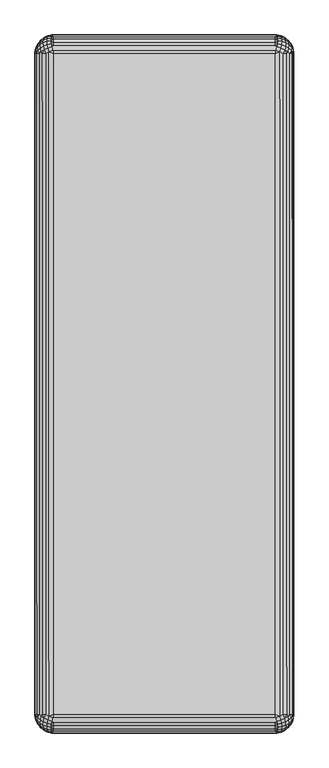
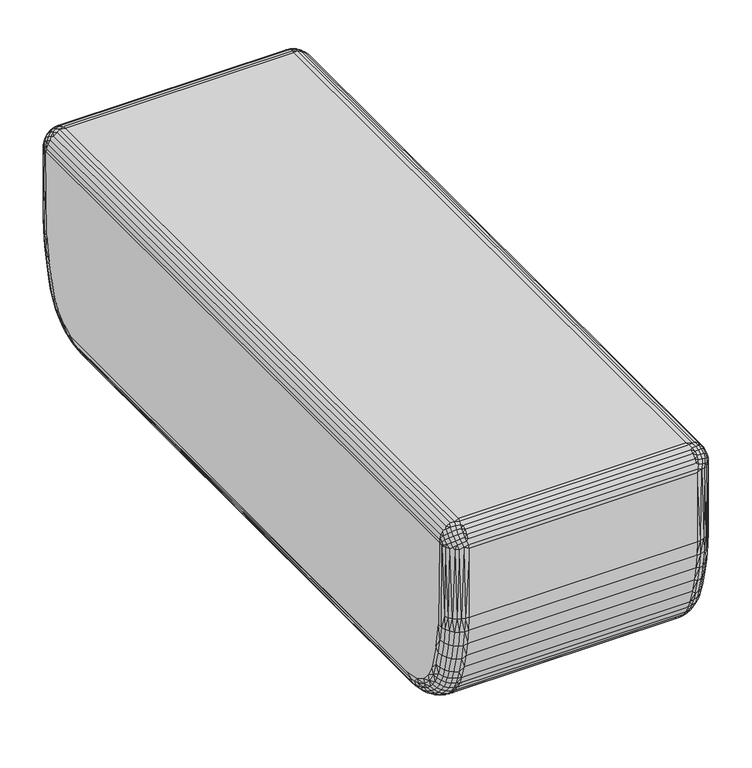
"""IFC4 building model written with IfcOpenShell, lengths in millimetres: furniture geometry."""

from ifc_helpers import new_model, si_unit, origin, place, context, project, spatial, triangles, source, transform, mapped, element, save


def furniture_271ff281(model_context):
    return source(origin(), model_context, "Body", "Tessellation", [
        triangles([(222.2500061, -555.8761353, 12.7000004), (-222.2500061, 555.876099, 12.7000004), (222.2500061, 555.876099, 12.7000004), (-222.2500061, 663.5749758, 419.1), (-222.2500061, -663.5749758, 419.1), (222.2500061, 663.5749758, 419.1), (-222.2500061, -555.8761353, 12.7000004), (222.2500061, -663.5749758, 419.1), (-260.2865288, -665.1291687, 382.5541203), (-260.3500061, 661.826536, 212.847564), (-260.3500061, -661.826536, 212.847564), (-222.2500061, -701.6749758, 238.0862124), (222.2500061, -701.6749758, 381.0), (-222.2500061, -701.6749758, 381.0), (260.2865652, 665.129096, 382.5541203), (260.3500061, -661.826536, 212.847564), (260.3500061, 661.826536, 212.847564), (222.2500061, 701.6749758, 381.0), (222.2500061, 701.6749758, 238.0862124), (-222.2500061, 701.6749758, 381.0), (260.2865652, -665.1291687, 382.5541203), (222.2500061, -701.6749758, 238.0862124), (-222.2500061, 701.6749758, 238.0862124), (-260.2865288, 665.129096, 382.5541203), (-222.2500061, -642.1913973, 46.5406549), (222.2500061, -629.9502113, 36.5397028), (222.2500061, -642.1913973, 46.5406549), (259.3947591, 568.0654349, 43.0878632), (259.3947591, -568.0654349, 43.0878632), (256.576926, -569.0567262, 35.0961749), (-260.3500061, -555.8761353, 50.8000015), (-260.3500061, 635.3881788, 99.9377226), (-260.3500061, 580.1681846, 54.1832979), (-222.2500061, 616.561203, 28.1369204), (222.2500061, 616.561203, 28.1369204), (-222.2500061, 602.2321358, 21.4624504), (-260.3500061, -640.1130358, 111.2860942), (-222.2500061, -676.2145386, 99.1087307), (222.2500061, -684.4983353, 126.2238089), (-222.2500061, -684.4983353, 126.2238089), (-222.2500061, 642.1913973, 46.5406549), (222.2500061, 653.0956009, 57.9848191), (222.2500061, 642.1913973, 46.5406549), (252.0377954, 555.876099, 27.0450425), (246.0049696, -555.8761353, 21.0122235), (246.0049696, 555.876099, 21.0122235), (238.7809738, -650.8240099, 61.1522039), (246.0049696, -637.123538, 53.1803295), (246.0049696, -647.326549, 64.0455593), (259.3947591, -670.2641024, 212.0194895), (257.440518, 678.1777182, 238.5268832), (259.3947591, 672.053092, 381.0), (259.3947591, 670.2641024, 212.0194895), (-222.2500061, 684.4983353, 126.2238089), (222.2500061, 684.4983353, 126.2238089), (222.2500061, 676.2146112, 99.1087307), (-222.2500061, 699.8085199, 209.7954792), (222.2500061, 696.3149105, 181.6592969), (-222.2500061, 696.3149105, 181.6592969), (-259.3947773, 670.2641024, 212.0194895), (-256.576926, -637.1120562, 72.4957703), (-252.0377591, -642.6782135, 67.8910232), (-256.576926, -644.89443, 83.2072667), (-222.2500061, -616.561203, 28.1369204), (222.2500061, -616.561203, 28.1369204), (-222.2500061, -629.9502113, 36.5397028), (246.0049696, -673.7154905, 118.7315518), (238.7809738, -686.0028946, 147.7028757), (238.7809738, -678.0670418, 117.4400336), (-222.2500061, -696.3148378, 181.6592969), (222.2500061, -696.3148378, 181.6592969), (222.2500061, -699.8084473, 209.7954792), (-238.7809738, -678.0670418, 117.4400336), (-246.0049514, -681.5775833, 148.712934), (-246.0049514, -673.7154905, 118.7315518), (-259.3947773, -672.053092, 381.0), (-259.3947773, -670.2641024, 212.0194895), (-257.4404816, -678.1777908, 238.5268832), (-238.7809738, 640.2307611, 49.8714472), (-246.0049514, 625.6390646, 43.679565), (-246.0049514, 637.123538, 53.1803295), (-238.7809738, 686.0028946, 147.7028757), (-238.7809738, 678.0670418, 117.4400336), (-246.0049514, 673.7154905, 118.7315518), (256.576926, 606.6678752, 47.3101346), (256.576926, 594.6878288, 41.6727607), (252.0377954, 597.3471505, 34.9560672), (260.3500061, 635.3881788, 99.9377226), (260.3500061, -580.1682572, 54.1832979), (260.3500061, 580.1681846, 54.1832979), (246.0049696, -663.5749758, 410.7878257), (238.7809738, 663.5749758, 415.3269382), (238.7809738, -663.5749758, 415.3269382), (252.0377954, -687.3299212, 381.0), (253.9172592, -684.7597292, 238.4023632), (256.576926, -680.1060888, 381.0), (-253.9172592, 684.7597292, 238.4023632), (-256.576926, 680.1059435, 381.0), (-252.0378136, 687.3299212, 381.0), (-238.7809738, -663.5749758, 415.3269382), (-238.7809738, 663.5749758, 415.3269382), (-246.0049514, 663.5749758, 410.7878257), (232.0944996, 667.4267756, 417.6041247), (249.179903, 690.5266737, 238.2939395), (246.0049696, 693.3627651, 381.0), (252.0377954, 687.3299212, 381.0), (-232.0944996, -667.4267756, 417.6041247), (-252.0378136, -687.3299212, 381.0), (-249.179903, -690.5266737, 238.2939395), (-246.0049514, -693.3629105, 381.0), (222.2500061, 602.2321358, 21.4624504), (222.2500061, 587.1849438, 16.6197216), (246.0049696, 613.0543676, 35.6931089), (238.7809738, 615.2411528, 31.7154333), (246.0049696, 625.6390646, 43.679565), (238.7809738, -555.8761353, 16.4730861), (222.2500061, -602.2321358, 21.4624504), (-222.2500061, 670.2399759, 84.4740498), (222.2500061, 662.4936464, 70.6949218), (-222.2500061, 662.4936464, 70.6949218), (-238.7809738, 650.8240826, 61.1522039), (-246.0049514, 647.3266216, 64.0455593), (-238.7809738, 659.920039, 73.6717159), (-252.0378136, -555.8761353, 27.0450425), (-246.0049514, 555.876099, 21.0122235), (-246.0049514, -555.8761353, 21.0122235), (-246.0049514, -613.0543676, 35.6931089), (-238.7809738, -615.2411528, 31.7154333), (-246.0049514, -625.6390646, 43.679565), (-244.2470645, 685.5720343, 402.9970222), (-250.0819191, 675.1882931, 404.2836079), (-243.6968438, 679.0339886, 408.434699), (-222.2500061, 687.3299212, 410.7878257), (222.2500061, 693.3627651, 404.7549817), (-222.2500061, 693.3627651, 404.7549817), (243.6968438, -679.0340612, 408.434699), (244.2470282, -685.5720343, 402.9970222), (250.081901, -675.1883657, 404.2836079), (-222.2500061, -693.3629105, 404.7549817), (222.2500061, -693.3629105, 404.7549817), (222.2500061, -687.3299212, 410.7878257), (238.7809738, 640.2307611, 49.8714472), (238.7809738, 650.8240826, 61.1522039), (246.0049696, 647.3266216, 64.0455593), (238.7809738, 678.0670418, 117.4400336), (246.0049696, 681.5775106, 148.712934), (246.0049696, 673.7154905, 118.7315518), (-222.2500061, -662.4936464, 70.6949218), (222.2500061, -670.2399759, 84.4740498), (-222.2500061, -670.2399759, 84.4740498), (-246.0049514, -656.0874968, 76.1039076), (-238.7809738, -650.8240099, 61.1522039), (-238.7809738, -659.9199663, 73.6717159), (-256.576926, 606.6678752, 47.3101346), (-259.3947773, 591.7233659, 49.1601761), (-259.3947773, 613.113521, 60.9195146), (-256.576926, -555.8761353, 34.2690315), (-256.576926, 569.0567262, 35.0961749), (-252.0378136, 555.876099, 27.0450425), (222.2500061, 687.3299212, 410.7878257), (236.7732475, 688.4816677, 405.9066919), (236.2363616, 682.1045134, 411.2100746), (243.6968438, 679.0339886, 408.434699), (-222.2500061, -687.3299212, 410.7878257), (-236.2363616, -682.1045134, 411.2100746), (-243.6968438, -679.0340612, 408.434699), (-236.7732475, -688.4817404, 405.9066919), (246.0049696, -599.5679452, 29.3469006), (252.0377954, -597.3471505, 34.9560672), (246.0049696, -613.0543676, 35.6931089), (252.0377954, -622.0930601, 48.5602127), (256.576926, -606.6679115, 47.3101346), (256.576926, -617.8468803, 54.4045508), (252.0377954, 667.9320499, 120.4480531), (256.576926, 668.6531542, 151.6628448), (256.576926, 661.0066006, 122.5034691), (252.0377954, 622.0930601, 48.5602127), (256.576926, 617.8468803, 54.4045508), (252.0377954, 610.1480043, 40.979707), (-230.7280678, 698.7907042, 209.1876675), (-230.7280678, 694.7652231, 177.962266), (-238.7809738, 691.9834888, 178.4120024), (-249.179903, 690.5266737, 238.2939395), (249.179903, -690.5266737, 238.2939395), (238.7809738, -691.9834162, 178.4120024), (230.7280496, -698.7907042, 209.1876675), (230.7280496, -694.7651505, 177.962266), (252.0377954, -632.9937029, 57.5780762), (256.576926, -628.0485832, 62.8441292), (252.0377954, -642.6782135, 67.8910232), (259.3947591, -660.8021072, 153.4547866), (256.576926, -668.6530815, 151.6628448), (256.576926, -661.0066732, 122.5034691), (-238.7809738, 555.876099, 16.4730861), (-230.7280678, 616.598628, 29.2461436), (-230.7280678, 602.2762828, 22.5065477), (-238.7809738, 601.2389915, 25.1265186), (-252.0377591, 622.0930601, 48.5602127), (-256.576926, 617.8468803, 54.4045508), (-252.0377591, 632.9937029, 57.5780762), (-256.576926, 668.6531542, 151.6628448), (-256.576926, 661.0066006, 122.5034691), (-259.3947773, 660.8021072, 153.4547866), (-256.576926, -617.8468803, 54.4045508), (-252.0377591, -610.1480043, 40.979707), (-252.0377591, -622.0930601, 48.5602127), (-259.3947773, -568.0654349, 43.0878632), (-252.0377591, -675.6959656, 150.0553666), (-243.4071812, -695.2606871, 238.2054275), (243.4071812, 695.2606871, 238.2054275), (252.0377954, 675.6959656, 150.0553666), (250.6178421, 681.5593431, 398.9844037), (255.0712948, 681.5401583, 388.1849902), (250.081901, 686.8585836, 392.6133173), (-250.0819191, -686.8585836, 392.6133173), (-250.6178421, -681.5593431, 398.9844037), (-255.0712948, -681.5401583, 388.1849902), (222.2500061, -662.4936464, 70.6949218), (238.7809738, -659.9199663, 73.6717159), (238.7809738, 601.2389915, 25.1265186), (238.7809738, 586.5213578, 20.3444818), (230.7280496, 587.2221508, 17.61518), (246.0049696, 570.6765038, 21.9386432), (246.0049696, 585.392575, 24.7410157), (252.0377954, 569.9420646, 27.9266134), (-252.0377591, -667.9319773, 120.4480531), (-256.576926, -668.6530815, 151.6628448), (-256.576926, -661.0066732, 122.5034691), (-252.0377591, -650.9939123, 79.3364637), (-222.2500061, -587.1849801, 16.6197216), (-222.2500061, -602.2321358, 21.4624504), (-238.7809738, -586.5213578, 20.3444818), (-230.7280678, -587.2221871, 17.61518), (-238.7809738, -601.2389915, 25.1265186), (-243.4071812, 695.2606871, 238.2054275), (-246.0049514, 693.3627651, 381.0), (-239.4479752, 697.5702845, 381.400666), (-236.7732475, 688.4816677, 405.9066919), (-236.2363616, 693.7850504, 399.5295012), (-243.6968438, 691.0097111, 396.4590128), (239.4479752, -697.5702845, 381.400666), (243.4071812, -695.2606871, 238.2054275), (246.0049696, -693.3629105, 381.0), (236.2363616, -693.7850504, 399.5295012), (243.6968438, -691.0096384, 396.4590128), (236.7732475, -688.4817404, 405.9066919), (259.3947591, -602.7883155, 54.3669577), (260.3500061, -640.1130358, 111.2860942), (230.7280496, -688.750038, 147.075861), (222.2500061, -676.2145386, 99.1087307), (-222.2500061, 676.2146112, 99.1087307), (-230.7280678, 688.750038, 147.075861), (256.576926, -663.5749758, 397.5309677), (252.0377954, 663.5749758, 404.7549817), (252.0377954, -663.5749758, 404.7549817), (250.6178421, -681.5593431, 398.9844037), (255.0712948, -670.7599297, 398.9651825), (-252.0378136, -663.5749758, 404.7549817), (-252.0378136, 663.5749758, 404.7549817), (-256.576926, 663.5749758, 397.5309677), (-250.6178421, 681.5593431, 398.9844037), (-255.0712948, 670.7600023, 398.9651825), (246.0049696, 663.5749758, 410.7878257), (255.5661411, 676.6448902, 394.0699144), (-246.0049514, -663.5749758, 410.7878257), (-255.5661411, -676.6449629, 394.0699144), (260.3500061, 653.8852329, 161.443525), (256.576926, 637.1120562, 72.4957703), (252.0377954, 642.6782862, 67.8910232), (256.576926, 644.89443, 83.2072667), (-238.7809738, 628.3070704, 40.0073327), (-222.2500061, 629.950066, 36.5397028), (-222.2500061, 697.9019503, 397.5309677), (222.2500061, 697.9019503, 397.5309677), (224.2473587, 700.9524181, 388.1097404), (244.2470282, 685.5720343, 402.9970222), (243.6968438, 691.0097111, 396.4590128), (-243.6968438, -691.0096384, 396.4590128), (-244.2470645, -685.5720343, 402.9970222), (-224.2473587, -700.9524908, 388.1097404), (222.2500061, -697.9018776, 397.5309677), (-222.2500061, -697.9018776, 397.5309677), (-222.2500061, -653.0956009, 57.9848191), (-230.7280678, -652.9952436, 59.3560427), (-246.0049514, -691.4709475, 209.9273934), (-222.2500061, -699.8084473, 209.7954792), (246.0049696, 691.4709475, 209.9273934), (222.2500061, 699.8085199, 209.7954792), (230.7280496, -629.9633646, 37.7276504), (238.7809738, -628.3070704, 40.0073327), (230.7280496, -642.1596405, 47.8173347), (230.7280496, -616.598628, 29.2461436), (238.7809738, -601.2389915, 25.1265186), (238.7809738, -615.2411528, 31.7154333), (246.0049696, 656.0874968, 76.1039076), (252.0377954, 632.9937029, 57.5780762), (-238.7809738, 571.2230184, 17.4324877), (-246.0049514, 570.6765038, 21.9386432), (-238.7809738, 586.5213578, 20.3444818), (-252.0377591, 685.4675348, 210.5226151), (-256.576926, 674.4155931, 181.252236), (-259.3947773, 666.465933, 182.5374773), (259.3947591, -666.465933, 182.5374773), (256.576926, -674.4155931, 181.252236), (252.0377954, -685.4675348, 210.5226151), (232.0944996, -667.4267756, 417.6041247), (234.6494672, -674.9617807, 415.1790184), (242.0686546, -671.7044214, 412.5078152), (-222.2500061, -680.1060888, 415.3269382), (222.2500061, -680.1060888, 415.3269382), (224.2473587, -670.6847162, 418.377406), (-242.0686546, 671.7044941, 412.5078152), (-232.0944996, 667.4267756, 417.6041247), (-234.6494309, 674.9617807, 415.1790184), (-224.2473587, 670.6847162, 418.377406), (222.2500061, 680.1059435, 415.3269382), (-222.2500061, 680.1059435, 415.3269382), (-256.576926, -594.6878288, 41.6727607), (-252.0377591, -597.3471505, 34.9560672), (-256.576926, -606.6679115, 47.3101346), (-246.0049514, -570.6765038, 21.9386432), (-246.0049514, -585.392575, 24.7410157), (-252.0377591, -569.9420646, 27.9266134), (238.7809738, 667.3751799, 87.2325388), (238.7809738, 672.6393934, 100.3146618), (246.0049696, 668.3383478, 101.7654362), (222.2500061, 670.2399759, 84.4740498), (-252.0377591, 642.6782862, 67.8910232), (-256.576926, 637.1120562, 72.4957703), (-252.0377591, 650.9938396, 79.3364637), (-246.0049514, 656.0874968, 76.1039076), (-246.0049514, -647.326549, 64.0455593), (-260.3500061, 621.4970936, 79.7241762), (-256.576926, 644.89443, 83.2072667), (-259.3947773, 630.9072023, 77.6289008), (-259.3947773, 638.0951357, 87.5222286), (238.7809738, -571.223091, 17.4324877), (246.0049696, -570.6765038, 21.9386432), (238.7809738, -586.5213578, 20.3444818), (-222.2500061, -571.652716, 13.6837339), (222.2500061, -571.652716, 13.6837339), (222.2500061, -587.1849801, 16.6197216), (-239.4479752, -697.5702845, 381.400666), (-236.8234261, -698.7776962, 238.13997), (-232.0944996, -700.1790642, 384.8517998), (-234.6494309, -697.7539942, 392.386805), (-242.0686546, -695.0827909, 389.129482), (242.0686546, 695.0827909, 389.129482), (232.0944996, 700.1791368, 384.8517998), (234.6494672, 697.7539942, 392.386805), (236.8234261, 698.7776236, 238.13997), (239.4479752, 697.5702845, 381.400666), (259.3947591, 602.7883518, 54.3669577), (259.3947591, 580.0930438, 45.3812643), (256.576926, 555.876099, 34.2690315), (222.2500061, 629.950066, 36.5397028), (238.7809738, 628.3070704, 40.0073327), (252.0377954, -675.6959656, 150.0553666), (252.0377954, -667.9319773, 120.4480531), (238.7809738, -667.3751799, 87.2325388), (246.0049696, -656.0874968, 76.1039076), (246.0049696, -663.2680178, 89.165197), (246.0049696, -691.4709475, 209.9273934), (246.0049696, -681.5775833, 148.712934), (-246.0049514, 681.5775106, 148.712934), (-252.0377591, 667.9320499, 120.4480531), (-252.0377591, 675.6959656, 150.0553666), (-246.0049514, 691.4709475, 209.9273934), (-238.7809738, -691.9834162, 178.4120024), (-230.7280678, -694.7651505, 177.962266), (-230.7280678, -698.7907042, 209.1876675), (-238.7809738, -686.0028946, 147.7028757), (-230.7280678, -680.7684031, 116.638293), (-230.7280678, -688.750038, 147.075861), (230.7280496, 698.7907042, 209.1876675), (238.7809738, 691.9834888, 178.4120024), (230.7280496, 694.7652231, 177.962266), (230.7280496, 680.7684031, 116.638293), (230.7280496, 688.750038, 147.075861), (238.7809738, 686.0028946, 147.7028757), (255.0712948, -681.5401583, 388.1849902), (255.5661411, -676.6449629, 394.0699144), (259.3947591, -672.053092, 381.0), (-259.3947773, 672.053092, 381.0), (-255.0712948, 681.5401583, 388.1849902), (-255.5661411, 676.6448902, 394.0699144), (224.2473587, 670.6847162, 418.377406), (234.6494672, 674.9617807, 415.1790184), (-234.6494309, -674.9617807, 415.1790184), (-224.2473587, -670.6847162, 418.377406), (-259.3947773, -666.465933, 182.5374773), (-259.3947773, -660.8021072, 153.4547866), (-260.3500061, -653.8853056, 161.443525), (-260.3500061, 653.8852329, 161.443525), (259.3947591, 666.465933, 182.5374773), (259.3947591, 660.8021072, 153.4547866), (259.3947591, 653.2865049, 124.7947537), (-230.7280678, 587.2221508, 17.61518), (-222.2500061, 587.1849438, 16.6197216), (222.2500061, 571.652716, 13.6837339), (-222.2500061, 571.652716, 13.6837339), (230.7280496, -587.2221871, 17.61518), (230.7280496, -602.2763191, 22.5065477), (252.0377954, 657.8093393, 91.7338538), (252.0377954, 662.6219816, 103.6936252), (256.576926, 655.7769053, 106.0025323), (246.0049696, 663.2680178, 89.165197), (-228.5711682, 690.1423948, 407.5673827), (-228.074596, 695.0454386, 401.6711946), (-224.2473587, 700.9524181, 388.1097404), (224.2473587, -700.9524908, 388.1097404), (228.5711682, -690.1423948, 407.5673827), (228.0745779, -695.0453659, 401.6711946), (-259.3947773, -591.7233659, 49.1601761), (-259.3947773, -580.0930801, 45.3812643), (-256.576926, -582.0957559, 37.5813294), (-260.3500061, -591.732486, 58.3518026), (-259.3947773, -613.1134483, 60.9195146), (-260.3500061, -612.5965467, 71.2455059), (246.0049696, -585.392575, 24.7410157), (252.0377954, -569.9420646, 27.9266134), (252.0377954, -583.8922668, 30.5843), (256.576926, -582.0957559, 37.5813294), (259.3947591, -591.7233659, 49.1601761), (256.576926, -594.6878288, 41.6727607), (238.7809738, 555.876099, 16.4730861), (230.7280496, -555.8761353, 13.6552473), (230.7280496, 555.876099, 13.6552473), (238.7809738, 571.2230184, 17.4324877), (-238.7809738, -571.223091, 17.4324877), (-238.7809738, -555.8761353, 16.4730861), (-230.7280678, 555.876099, 13.6552473), (-230.7280678, -555.8761353, 13.6552473), (256.576926, -637.1120562, 72.4957703), (259.3947591, -638.0951357, 87.5222286), (256.576926, -644.89443, 83.2072667), (260.3500061, -612.5965467, 71.2455059), (259.3947591, -622.535911, 68.7144604), (-230.7280678, -642.1596405, 47.8173347), (-238.7809738, -628.3070704, 40.0073327), (-230.7280678, -616.598628, 29.2461436), (-230.7280678, -629.9633646, 37.7276504), (242.0686546, 671.7044941, 412.5078152), (250.081901, 675.1882931, 404.2836079), (248.4940619, 668.0395288, 408.2567302), (-248.4940437, -668.0395288, 408.2567302), (-250.0819191, -675.1883657, 404.2836079), (-242.0686546, -671.7044214, 412.5078152), (-246.0049514, 585.392575, 24.7410157), (-252.0377591, 569.9420646, 27.9266134), (-252.0377591, 583.8922668, 30.5843), (252.0377954, 685.4675348, 210.5226151), (256.576926, 678.2784388, 211.2316016), (-252.0377591, -685.4675348, 210.5226151), (-256.576926, -678.2783661, 211.2316016), (-246.0049514, 599.5680179, 29.3469006), (-252.0377591, 597.3471505, 34.9560672), (-246.0049514, 613.0543676, 35.6931089), (-238.7809738, 615.2411528, 31.7154333), (-238.7809738, -667.3751799, 87.2325388), (-230.7280678, -662.2991816, 72.1618517), (-230.7280678, -669.9248062, 86.0327574), (-246.0049514, -668.3384932, 101.7654362), (-238.7809738, -672.6393934, 100.3146618), (258.4148226, 665.9707598, 392.7463397), (258.8438117, 671.0750994, 388.5000509), (259.3947591, -663.5749758, 389.4780436), (259.3947591, 663.5749758, 389.4780436), (256.576926, 663.5749758, 397.5309677), (-258.4148044, -665.9707598, 392.7463397), (-258.843848, -671.0750267, 388.5000509), (-256.576926, -663.5749758, 397.5309677), (-259.3947773, 663.5749758, 389.4780436), (-259.3947773, -663.5749758, 389.4780436), (-256.576926, -655.7769053, 106.0025323), (-252.0377591, -657.8093393, 91.7338538), (-252.0378136, -662.6219816, 103.6936252), (-246.0049514, -663.2680178, 89.165197), (-236.8234261, 698.7776236, 238.13997), (-238.7809738, 695.9875322, 209.4750772), (-232.0944996, 700.1791368, 384.8517998), (-229.6790947, 700.9436251, 238.0997653), (238.7809738, -695.9875322, 209.4750772), (236.8234261, -698.7776962, 238.13997), (232.0944996, -700.1790642, 384.8517998), (229.6790947, -700.9436251, 238.0997653), (234.6494672, -697.7539942, 392.386805), (226.6084973, -698.7113485, 395.0731599), (-234.6494309, 697.7539942, 392.386805), (-226.6084973, 698.7113485, 395.0731599), (236.2363616, 693.7850504, 399.5295012), (228.5711682, 690.1423948, 407.5673827), (236.2363616, -682.1045134, 411.2100746), (-236.2363616, -693.7850504, 399.5295012), (-228.5711682, -690.1423948, 407.5673827), (-236.2363616, 682.1045134, 411.2100746), (-250.0819191, 686.8585836, 392.6133173), (-242.0686546, 695.0827909, 389.129482), (-248.4940437, 690.8317423, 385.4645167), (242.0686546, -695.0827909, 389.129482), (248.4940619, -690.8316696, 385.4645167), (250.081901, -686.8585836, 392.6133173), (252.0377954, -650.9939123, 79.3364637), (252.0377954, -657.8093393, 91.7338538), (-238.7809738, 672.6393934, 100.3146618), (-238.7809738, 667.3751799, 87.2325388), (-246.0049514, 663.2680178, 89.165197), (238.7809738, -672.6393934, 100.3146618), (259.3947591, 622.5359837, 68.7144604), (259.3947591, 638.0951357, 87.5222286), (238.7809738, 659.920039, 73.6717159), (252.0377954, -610.1480043, 40.979707), (222.2500061, -653.0956009, 57.9848191), (230.7280496, -662.2991816, 72.1618517), (-230.7280678, 662.2991816, 72.1618517), (-222.2500061, 653.0956009, 57.9848191), (-259.3947773, -630.9072023, 77.6289008), (-256.576926, -628.0485832, 62.8441292), (-252.0377591, -583.8922668, 30.5843), (252.0377954, -555.8761353, 27.0450425), (252.0377954, 583.8922668, 30.5843), (260.3500061, -653.8853056, 161.443525), (259.3947591, -643.9863459, 98.238444), (238.7809738, 695.9875322, 209.4750772), (229.6790947, 700.9436251, 238.0997653), (-229.6790947, -700.9436251, 238.0997653), (-238.7809738, -695.9875322, 209.4750772), (-230.7280678, 642.1597132, 47.8173347), (-230.7280678, 629.9633646, 37.7276504), (-246.0049514, -687.5025124, 179.1364494), (-252.0377591, -681.5470619, 180.0992904), (246.0049696, 687.5025124, 179.1364494), (252.0377954, 681.5469893, 180.0992904), (230.7280496, 616.598628, 29.2461436), (230.7280496, 629.9633646, 37.7276504), (230.7280496, 642.1597132, 47.8173347), (-230.7280678, -602.2763191, 22.5065477), (230.7280496, 602.2762828, 22.5065477), (253.9172592, 684.7597292, 238.4023632), (-253.9172592, -684.7597292, 238.4023632), (258.4148226, -665.9707598, 392.7463397), (258.8438117, -671.0750267, 388.5000509), (-258.843848, 671.0750994, 388.5000509), (-258.4148044, 665.9707598, 392.7463397), (226.6084973, 677.648172, 416.1363364), (228.0745779, 684.2461704, 412.4704265), (-226.6084973, -677.648172, 416.1363364), (-228.074596, -684.2462431, 412.4704265), (256.576926, 680.1059435, 381.0), (258.4148226, 675.3213518, 383.3957477), (-256.576926, -680.1060888, 381.0), (-258.4148044, -675.3213518, 383.3957477), (230.7280496, 669.9248062, 86.0327574), (-255.0712948, -670.7599297, 398.9651825), (255.0712948, 670.7600023, 398.9651825), (-259.3947773, 568.0654349, 43.0878632), (-256.576926, 582.0957195, 37.5813294), (-256.576926, 594.6878288, 41.6727607), (-256.576926, 678.2784388, 211.2316016), (256.576926, -678.2783661, 211.2316016), (-222.2500061, -691.2058474, 153.7712099), (222.2500061, 691.2058474, 153.7712099), (246.0049696, -625.6390646, 43.679565), (238.7809738, -640.2307611, 49.8714472), (-248.4940437, -690.8316696, 385.4645167), (248.4940619, 690.8317423, 385.4645167), (-230.7280678, -571.5540665, 14.634087), (230.7280496, 571.5540301, 14.634087), (-230.7280678, 675.3094339, 99.4140264), (-230.7280678, 669.9248062, 86.0327574), (230.7280496, -675.3094339, 99.4140264), (230.7280496, -669.9248062, 86.0327574), (230.7280496, -571.5540665, 14.634087), (-230.7280678, 571.5540301, 14.634087), (228.0745779, -684.2462431, 412.4704265), (228.0745779, 695.0454386, 401.6711946), (-228.074596, -695.0453659, 401.6711946), (-228.074596, 684.2461704, 412.4704265), (230.7280496, 652.9952436, 59.3560427), (230.7280496, 662.2991816, 72.1618517), (222.2500061, -691.2058474, 153.7712099), (-222.2500061, 691.2058474, 153.7712099), (-259.3947773, 643.9864185, 98.238444), (246.0049696, 637.123538, 53.1803295), (-246.0049514, -637.123538, 53.1803295), (-238.7809738, -640.2307611, 49.8714472), (230.7280496, -652.9952436, 59.3560427), (-230.7280678, 652.9952436, 59.3560427), (-252.0377591, -632.9937029, 57.5780762), (246.0049696, -687.5025124, 179.1364494), (-246.0049514, 687.5025124, 179.1364494), (252.0377954, 650.9938396, 79.3364637), (-252.0377591, 610.1480043, 40.979707), (246.0049696, 599.5680179, 29.3469006), (-246.0049514, -599.5679452, 29.3469006), (-230.7280678, 680.7684031, 116.638293), (230.7280496, -680.7684031, 116.638293), (-257.4404816, 678.1777182, 238.5268832), (257.440518, -678.1777908, 238.5268832), (-230.7280678, -675.3094339, 99.4140264), (230.7280496, 675.3094339, 99.4140264), (-248.4940437, 668.0395288, 408.2567302), (248.4940619, -668.0395288, 408.2567302), (-259.3947773, -653.2865776, 124.7947537), (-246.0049514, 668.3383478, 101.7654362), (-252.0377591, 657.8093393, 91.7338538), (260.3500061, 621.4970936, 79.7241762), (260.3500061, 602.6112187, 64.075681), (256.576926, 628.0485832, 62.8441292), (-258.4148044, 675.3213518, 383.3957477), (258.4148226, -675.3213518, 383.3957477), (-256.576926, -651.272965, 94.8096653), (-259.3947773, -643.9863459, 98.238444), (256.576926, 651.2728924, 94.8096653), (259.3947591, 643.9864185, 98.238444), (-252.0378136, 662.6219816, 103.6936252), (-256.576926, 651.2728924, 94.8096653), (260.3500061, -629.1432112, 89.3496062), (256.576926, 569.0567262, 35.0961749), (256.576926, 582.0957195, 37.5813294), (-256.576926, -569.0567262, 35.0961749), (-260.3500061, 602.6112187, 64.075681), (-256.576926, 628.0485832, 62.8441292), (-256.576926, -674.4155931, 181.252236), (256.576926, 674.4155931, 181.252236), (226.6084973, -677.648172, 416.1363364), (226.6084973, 698.7113485, 395.0731599), (-226.6084973, -698.7113485, 395.0731599), (-226.6084973, 677.648172, 416.1363364), (252.0377954, -681.5470619, 180.0992904), (-252.0377591, 681.5469893, 180.0992904), (-256.576926, 655.7769053, 106.0025323), (256.576926, -651.272965, 94.8096653), (256.576926, -655.7769053, 106.0025323), (252.0377954, -662.6219816, 103.6936252), (246.0049696, -668.3384932, 101.7654362), (-260.3500061, -629.1432112, 89.3496062)], [[1, 2, 3], [4, 5, 6], [7, 2, 1], [6, 5, 8], [9, 10, 11], [12, 13, 14], [15, 16, 17], [18, 19, 20], [15, 21, 16], [22, 13, 12], [20, 19, 23], [24, 10, 9], [25, 26, 27], [28, 29, 30], [31, 32, 33], [34, 35, 36], [37, 32, 31], [38, 39, 40], [41, 42, 43], [44, 45, 46], [47, 48, 49], [50, 16, 21], [51, 52, 53], [54, 55, 56], [57, 58, 59], [10, 24, 60], [61, 62, 63], [64, 65, 66], [67, 68, 69], [70, 71, 72], [73, 74, 75], [76, 77, 78], [79, 80, 81], [82, 83, 84], [85, 86, 87], [88, 89, 90], [91, 92, 93], [94, 95, 96], [97, 98, 99], [100, 101, 102], [93, 92, 103], [104, 105, 106], [107, 101, 100], [108, 109, 110], [36, 111, 112], [113, 114, 115], [46, 45, 116], [64, 117, 65], [118, 119, 120], [121, 122, 123], [124, 125, 126], [127, 128, 129], [130, 131, 132], [133, 134, 135], [136, 137, 138], [139, 140, 141], [142, 143, 144], [145, 146, 147], [148, 149, 150], [151, 152, 153], [154, 155, 156], [157, 158, 159], [133, 160, 134], [161, 162, 163], [139, 141, 164], [165, 166, 167], [168, 169, 170], [171, 172, 173], [174, 175, 176], [177, 178, 179], [180, 181, 182], [97, 99, 183], [94, 184, 95], [185, 186, 187], [188, 189, 190], [191, 192, 193], [126, 125, 194], [195, 196, 197], [198, 199, 200], [201, 202, 203], [204, 205, 206], [207, 158, 157], [74, 208, 75], [110, 109, 209], [210, 105, 104], [146, 211, 147], [212, 213, 214], [53, 52, 15], [9, 77, 76], [215, 216, 217], [148, 218, 149], [47, 49, 219], [220, 221, 222], [223, 224, 225], [226, 227, 228], [63, 62, 229], [230, 117, 231], [232, 233, 234], [235, 236, 237], [238, 239, 240], [241, 242, 243], [244, 245, 246], [172, 247, 173], [88, 248, 89], [68, 249, 69], [250, 39, 38], [54, 56, 251], [82, 252, 83], [253, 254, 255], [138, 256, 257], [258, 259, 260], [261, 262, 131], [255, 254, 263], [264, 213, 212], [265, 259, 258], [216, 266, 217], [267, 248, 88], [268, 269, 270], [271, 80, 79], [41, 43, 272], [273, 274, 275], [276, 214, 277], [278, 279, 215], [280, 281, 282], [25, 27, 283], [152, 284, 153], [209, 109, 285], [70, 72, 286], [104, 287, 210], [57, 288, 58], [289, 290, 291], [292, 293, 294], [144, 143, 295], [296, 269, 268], [297, 298, 299], [198, 154, 199], [183, 300, 97], [301, 203, 302], [303, 304, 191], [95, 184, 305], [306, 307, 308], [309, 310, 311], [312, 313, 314], [315, 316, 317], [318, 319, 320], [321, 322, 323], [324, 325, 326], [118, 327, 119], [328, 329, 330], [123, 122, 331], [206, 127, 129], [332, 152, 151], [32, 333, 33], [334, 335, 336], [337, 338, 339], [340, 341, 342], [343, 344, 345], [345, 346, 347], [348, 349, 350], [351, 349, 352], [353, 354, 86], [28, 30, 355], [34, 356, 35], [114, 357, 115], [193, 358, 359], [360, 361, 362], [305, 184, 363], [358, 364, 359], [365, 366, 367], [183, 368, 300], [369, 370, 371], [372, 373, 374], [375, 376, 377], [378, 379, 380], [256, 381, 382], [383, 50, 21], [60, 24, 384], [261, 385, 386], [315, 387, 316], [388, 103, 92], [107, 100, 389], [309, 311, 390], [227, 391, 392], [393, 394, 37], [175, 395, 396], [88, 397, 267], [299, 398, 297], [399, 400, 401], [402, 337, 339], [403, 293, 292], [404, 405, 406], [324, 326, 407], [408, 409, 239], [273, 275, 410], [280, 411, 281], [412, 413, 244], [414, 415, 416], [417, 418, 419], [420, 421, 422], [423, 424, 425], [426, 427, 428], [429, 222, 221], [430, 233, 232], [431, 432, 433], [434, 435, 436], [247, 437, 438], [152, 439, 284], [440, 441, 442], [162, 443, 163], [444, 445, 254], [446, 258, 447], [165, 448, 166], [449, 450, 451], [450, 158, 451], [104, 452, 287], [51, 53, 453], [285, 109, 454], [455, 78, 77], [456, 457, 458], [459, 456, 458], [460, 461, 462], [463, 460, 464], [264, 465, 466], [467, 468, 469], [266, 470, 471], [472, 473, 474], [475, 476, 477], [463, 478, 460], [479, 180, 480], [479, 481, 482], [483, 484, 186], [485, 486, 484], [331, 328, 330], [365, 84, 366], [487, 488, 485], [485, 484, 241], [489, 490, 481], [479, 237, 481], [491, 348, 350], [134, 160, 492], [412, 141, 140], [307, 493, 308], [346, 494, 347], [495, 139, 164], [133, 135, 408], [496, 312, 314], [497, 99, 385], [240, 498, 499], [500, 501, 245], [502, 94, 381], [503, 436, 504], [503, 434, 436], [251, 327, 118], [505, 506, 507], [150, 149, 250], [362, 508, 360], [85, 353, 86], [509, 268, 510], [143, 511, 295], [120, 119, 42], [48, 188, 49], [170, 169, 512], [283, 27, 513], [514, 47, 219], [515, 121, 123], [516, 42, 41], [414, 318, 320], [517, 418, 518], [227, 392, 228], [517, 61, 63], [154, 156, 199], [329, 335, 334], [318, 519, 319], [157, 159, 124], [355, 520, 44], [87, 86, 521], [267, 522, 248], [191, 193, 523], [351, 524, 375], [525, 349, 351], [345, 344, 526], [371, 344, 527], [528, 529, 271], [195, 197, 459], [367, 366, 202], [330, 329, 334], [530, 531, 74], [372, 374, 369], [532, 533, 146], [380, 379, 376], [363, 242, 483], [185, 187, 68], [235, 480, 368], [182, 181, 82], [534, 535, 357], [142, 536, 143], [268, 270, 510], [175, 396, 176], [87, 521, 224], [177, 179, 113], [519, 322, 319], [205, 127, 206], [234, 233, 537], [128, 441, 440], [114, 534, 357], [222, 538, 220], [355, 30, 520], [421, 30, 422], [183, 236, 235], [235, 368, 183], [243, 242, 184], [184, 242, 363], [539, 452, 104], [104, 106, 539], [109, 540, 454], [108, 540, 109], [541, 382, 542], [255, 257, 253], [543, 544, 386], [262, 260, 259], [388, 545, 103], [492, 546, 162], [389, 547, 107], [495, 548, 165], [51, 549, 52], [264, 550, 213], [76, 78, 551], [217, 266, 552], [378, 380, 145], [553, 325, 324], [73, 373, 372], [464, 460, 462], [554, 472, 470], [447, 258, 554], [444, 254, 555], [555, 469, 465], [207, 556, 158], [557, 155, 558], [367, 202, 201], [97, 300, 559], [560, 95, 305], [192, 358, 193], [362, 503, 504], [359, 364, 67], [561, 71, 70], [369, 374, 370], [59, 58, 562], [379, 377, 376], [290, 563, 564], [294, 168, 170], [347, 278, 565], [110, 209, 343], [566, 348, 277], [210, 352, 105], [567, 233, 430], [340, 342, 230], [568, 222, 429], [399, 112, 400], [211, 175, 174], [539, 453, 452], [454, 540, 455], [208, 227, 226], [569, 570, 506], [570, 515, 123], [360, 571, 572], [514, 219, 572], [426, 116, 427], [573, 337, 402], [431, 194, 432], [398, 574, 297], [246, 137, 136], [412, 493, 575], [492, 491, 576], [276, 277, 161], [167, 279, 278], [495, 494, 577], [130, 132, 238], [408, 496, 578], [579, 580, 511], [580, 553, 324], [161, 163, 276], [212, 444, 555], [238, 240, 130], [261, 497, 385], [246, 245, 137], [502, 381, 256], [447, 554, 216], [167, 166, 279], [561, 581, 71], [68, 187, 249], [181, 252, 82], [59, 562, 582], [202, 583, 203], [37, 394, 32], [296, 584, 269], [113, 115, 177], [339, 338, 420], [293, 168, 294], [197, 456, 459], [299, 298, 449], [138, 257, 255], [255, 263, 91], [259, 131, 262], [265, 102, 259], [585, 440, 586], [440, 442, 586], [369, 530, 372], [527, 209, 285], [376, 532, 380], [210, 287, 524], [291, 564, 587], [291, 290, 564], [588, 528, 79], [528, 271, 79], [62, 332, 229], [589, 129, 585], [590, 185, 364], [358, 590, 364], [591, 365, 367], [182, 365, 591], [144, 295, 592], [407, 405, 404], [283, 218, 148], [153, 284, 461], [122, 328, 331], [81, 198, 200], [80, 198, 81], [458, 457, 593], [361, 503, 362], [49, 188, 190], [402, 339, 403], [230, 342, 117], [196, 398, 299], [36, 112, 399], [489, 481, 237], [239, 498, 240], [485, 241, 487], [244, 500, 245], [477, 476, 478], [229, 332, 151], [282, 140, 139], [577, 494, 346], [317, 160, 133], [496, 314, 578], [491, 350, 576], [135, 134, 274], [164, 141, 310], [575, 493, 307], [594, 87, 224], [220, 594, 221], [595, 232, 234], [319, 322, 595], [272, 356, 34], [529, 195, 459], [292, 294, 289], [66, 65, 26], [252, 596, 83], [569, 506, 505], [360, 508, 571], [69, 249, 597], [21, 468, 467], [467, 542, 21], [24, 473, 543], [474, 473, 24], [4, 313, 5], [313, 315, 314], [311, 307, 306], [306, 6, 8], [272, 43, 356], [535, 536, 142], [586, 442, 439], [66, 26, 25], [169, 425, 512], [169, 423, 425], [457, 558, 593], [457, 557, 558], [60, 384, 598], [598, 559, 60], [383, 599, 50], [50, 599, 560], [128, 537, 441], [231, 117, 64], [538, 534, 114], [36, 35, 111], [150, 250, 38], [464, 462, 600], [553, 601, 325], [56, 327, 251], [482, 180, 479], [23, 19, 57], [484, 486, 186], [12, 72, 22], [75, 208, 226], [477, 478, 463], [147, 211, 174], [407, 326, 405], [338, 421, 420], [44, 520, 45], [298, 450, 449], [124, 159, 125], [102, 101, 312], [602, 312, 132], [308, 136, 603], [308, 91, 93], [587, 47, 514], [283, 513, 218], [120, 42, 516], [515, 588, 121], [46, 116, 426], [429, 221, 223], [126, 194, 431], [430, 232, 321], [247, 89, 437], [423, 29, 424], [37, 604, 393], [419, 418, 517], [605, 507, 606], [505, 507, 605], [434, 438, 435], [173, 247, 438], [510, 607, 509], [353, 608, 90], [351, 375, 525], [57, 19, 288], [286, 72, 12], [526, 344, 371], [91, 263, 92], [163, 443, 445], [448, 446, 166], [100, 102, 265], [349, 275, 350], [525, 18, 349], [280, 346, 345], [345, 526, 14], [418, 204, 518], [204, 206, 518], [609, 178, 177], [609, 509, 178], [598, 384, 98], [385, 610, 386], [382, 381, 611], [96, 599, 383], [5, 313, 107], [547, 390, 107], [306, 103, 6], [387, 103, 545], [106, 214, 213], [539, 106, 549], [215, 217, 108], [551, 540, 108], [410, 481, 490], [482, 481, 20], [488, 411, 485], [13, 486, 485], [475, 612, 476], [613, 612, 475], [614, 406, 615], [404, 406, 614], [413, 488, 487], [282, 281, 140], [546, 545, 388], [317, 316, 160], [164, 310, 309], [548, 547, 389], [135, 274, 273], [409, 490, 489], [433, 432, 2], [401, 574, 399], [573, 342, 341], [428, 427, 1], [501, 94, 502], [243, 184, 94], [497, 499, 99], [183, 99, 236], [143, 579, 511], [536, 579, 143], [15, 17, 53], [267, 396, 395], [616, 606, 617], [605, 606, 616], [203, 32, 394], [203, 394, 302], [11, 77, 9], [393, 392, 391], [39, 597, 249], [40, 39, 581], [582, 55, 54], [252, 54, 596], [523, 248, 191], [438, 618, 435], [564, 563, 48], [563, 171, 48], [115, 584, 296], [115, 357, 584], [191, 248, 522], [191, 522, 303], [613, 604, 37], [475, 604, 613], [619, 521, 620], [619, 620, 28], [621, 416, 207], [621, 519, 416], [400, 112, 568], [428, 1, 3], [433, 2, 7], [340, 230, 567], [557, 556, 155], [622, 155, 33], [602, 131, 259], [602, 132, 131], [603, 138, 255], [136, 138, 603], [380, 532, 146], [380, 146, 145], [365, 82, 84], [182, 82, 365], [364, 68, 67], [364, 185, 68], [372, 74, 73], [372, 530, 74], [129, 440, 585], [129, 128, 440], [278, 215, 565], [565, 215, 108], [566, 277, 214], [566, 214, 106], [31, 556, 207], [417, 415, 414], [240, 499, 497], [130, 240, 497], [166, 446, 447], [166, 447, 279], [493, 246, 136], [493, 136, 308], [276, 163, 444], [163, 445, 444], [277, 348, 491], [161, 277, 491], [132, 312, 496], [238, 132, 496], [245, 502, 137], [245, 501, 502], [494, 278, 347], [494, 167, 278], [40, 581, 561], [373, 40, 374], [55, 379, 378], [582, 562, 55], [623, 156, 335], [32, 335, 333], [258, 260, 472], [258, 472, 554], [253, 469, 254], [254, 469, 555], [466, 468, 15], [15, 468, 21], [474, 24, 9], [9, 471, 474], [29, 89, 424], [89, 29, 90], [162, 388, 443], [162, 546, 388], [239, 409, 489], [239, 489, 498], [389, 448, 165], [548, 389, 165], [413, 487, 244], [487, 500, 244], [353, 90, 354], [90, 29, 28], [299, 449, 197], [196, 299, 197], [339, 420, 293], [403, 339, 293], [587, 564, 47], [564, 48, 47], [289, 294, 290], [294, 170, 290], [529, 459, 271], [459, 458, 271], [79, 81, 121], [588, 79, 121], [220, 114, 113], [220, 538, 114], [357, 142, 584], [357, 535, 142], [234, 537, 128], [127, 234, 128], [586, 439, 152], [332, 586, 152], [572, 219, 360], [219, 361, 360], [123, 331, 506], [570, 123, 506], [531, 624, 208], [74, 531, 208], [533, 625, 211], [146, 533, 211], [626, 307, 311], [575, 307, 626], [275, 627, 350], [576, 350, 627], [628, 346, 280], [577, 346, 628], [315, 629, 314], [578, 314, 629], [483, 186, 185], [590, 483, 185], [369, 527, 530], [371, 527, 369], [524, 376, 375], [524, 532, 376], [480, 182, 591], [180, 182, 480], [478, 153, 460], [153, 461, 460], [511, 580, 324], [511, 324, 407], [213, 549, 106], [550, 549, 213], [385, 98, 610], [99, 98, 385], [381, 96, 611], [94, 96, 381], [108, 217, 551], [217, 552, 551], [408, 239, 238], [238, 496, 408], [161, 491, 492], [492, 162, 161], [495, 167, 494], [495, 165, 167], [412, 246, 493], [412, 244, 246], [630, 590, 358], [192, 630, 358], [591, 367, 631], [631, 367, 201], [206, 129, 589], [518, 206, 589], [48, 171, 188], [171, 173, 188], [223, 221, 224], [594, 224, 221], [322, 232, 595], [321, 232, 322], [261, 131, 130], [130, 497, 261], [276, 444, 212], [212, 214, 276], [279, 216, 215], [279, 447, 216], [137, 256, 138], [137, 502, 256], [269, 592, 270], [269, 144, 592], [615, 397, 88], [406, 397, 615], [257, 541, 253], [467, 469, 253], [544, 260, 262], [472, 260, 473], [632, 617, 583], [616, 617, 632], [633, 634, 635], [523, 634, 633], [509, 608, 353], [509, 353, 178], [418, 414, 320], [417, 414, 418], [362, 636, 508], [504, 636, 362], [293, 420, 168], [420, 422, 168], [449, 451, 456], [197, 449, 456], [81, 200, 122], [121, 81, 122], [458, 593, 80], [271, 458, 80], [113, 594, 220], [113, 179, 594], [584, 142, 144], [584, 144, 269], [331, 330, 507], [506, 331, 507], [290, 170, 563], [170, 512, 563], [595, 234, 127], [205, 595, 127], [219, 49, 361], [49, 190, 361], [585, 586, 332], [62, 585, 332], [203, 583, 32], [32, 336, 335], [637, 517, 613], [613, 517, 63], [363, 483, 590], [630, 363, 590], [530, 285, 531], [527, 285, 530], [287, 532, 524], [287, 533, 532], [368, 591, 631], [480, 591, 368], [33, 556, 31], [33, 155, 556], [555, 465, 264], [212, 555, 264], [386, 544, 262], [386, 262, 261], [257, 382, 541], [256, 382, 257], [216, 554, 266], [266, 554, 470], [295, 407, 404], [295, 511, 407], [476, 151, 478], [151, 153, 478], [443, 388, 92], [443, 92, 263], [389, 100, 448], [100, 265, 448], [241, 243, 500], [487, 241, 500], [347, 343, 345], [347, 110, 343], [105, 352, 348], [352, 349, 348], [498, 237, 236], [498, 489, 237], [600, 462, 38], [373, 38, 40], [55, 378, 56], [553, 56, 601], [479, 480, 235], [235, 237, 479], [351, 352, 210], [210, 524, 351], [343, 209, 344], [344, 209, 527], [242, 484, 483], [241, 484, 242], [97, 559, 598], [598, 98, 97], [539, 549, 51], [51, 453, 539], [551, 78, 540], [540, 78, 455], [599, 95, 560], [96, 95, 599], [107, 313, 101], [101, 313, 312], [93, 103, 306], [308, 93, 306], [386, 610, 543], [543, 384, 24], [76, 471, 9], [552, 266, 471], [466, 550, 264], [15, 52, 466], [21, 542, 383], [382, 611, 542], [323, 519, 621], [323, 322, 519], [225, 521, 619], [225, 224, 521], [250, 597, 39], [572, 571, 250], [54, 251, 596], [251, 570, 569], [622, 156, 155], [333, 335, 156], [625, 395, 175], [211, 625, 175], [624, 391, 227], [208, 624, 227], [2, 432, 401], [401, 3, 2], [1, 341, 7], [427, 341, 1], [283, 284, 439], [148, 284, 283], [536, 42, 579], [42, 119, 579], [374, 561, 370], [374, 40, 561], [562, 379, 55], [562, 377, 379], [57, 59, 180], [482, 57, 180], [72, 186, 486], [71, 186, 72], [301, 201, 203], [631, 201, 301], [304, 630, 192], [191, 304, 192], [36, 196, 34], [36, 398, 196], [403, 117, 402], [403, 65, 117], [305, 363, 630], [304, 305, 630], [531, 454, 624], [285, 454, 531], [452, 533, 287], [452, 625, 533], [300, 631, 301], [368, 631, 300], [504, 635, 636], [633, 635, 504], [510, 88, 607], [607, 88, 90], [435, 248, 523], [633, 435, 523], [451, 557, 457], [456, 451, 457], [168, 422, 169], [422, 423, 169], [320, 319, 205], [319, 595, 205], [563, 512, 171], [512, 172, 171], [507, 330, 606], [330, 334, 606], [80, 593, 198], [593, 154, 198], [179, 87, 594], [179, 85, 87], [200, 623, 328], [122, 200, 328], [177, 296, 609], [177, 115, 296], [61, 589, 62], [589, 585, 62], [361, 190, 503], [190, 434, 503], [28, 620, 354], [354, 90, 28], [328, 623, 329], [623, 335, 329], [190, 189, 434], [189, 438, 434], [370, 70, 371], [370, 561, 70], [375, 377, 58], [58, 377, 562], [592, 295, 404], [592, 404, 614], [229, 151, 476], [612, 229, 476], [572, 149, 514], [572, 250, 149], [118, 570, 251], [118, 515, 570], [120, 515, 118], [120, 588, 515], [514, 218, 587], [514, 149, 218], [581, 249, 187], [39, 249, 581], [181, 582, 252], [582, 54, 252], [25, 439, 442], [283, 439, 25], [43, 42, 536], [535, 43, 536], [66, 442, 441], [25, 442, 66], [356, 43, 535], [534, 356, 535], [64, 441, 537], [66, 441, 64], [538, 35, 534], [35, 356, 534], [402, 342, 573], [402, 117, 342], [399, 398, 36], [399, 574, 398], [568, 426, 428], [568, 428, 400], [567, 433, 340], [567, 431, 433], [568, 112, 222], [112, 111, 222], [567, 230, 233], [231, 233, 230], [292, 26, 65], [292, 65, 403], [34, 196, 195], [34, 195, 272], [289, 26, 292], [289, 27, 26], [272, 529, 41], [272, 195, 529], [581, 187, 71], [71, 187, 186], [59, 582, 181], [180, 59, 181], [291, 27, 289], [291, 513, 27], [41, 528, 516], [41, 529, 528], [148, 461, 284], [150, 461, 148], [579, 119, 580], [119, 327, 580], [573, 341, 427], [427, 116, 573], [401, 432, 574], [194, 574, 432], [150, 462, 461], [38, 462, 150], [580, 327, 553], [327, 56, 553], [577, 139, 495], [577, 282, 139], [133, 578, 317], [408, 578, 133], [134, 576, 274], [492, 576, 134], [575, 141, 412], [575, 310, 141], [73, 600, 373], [600, 38, 373], [56, 378, 601], [601, 378, 145], [429, 426, 568], [429, 46, 426], [430, 431, 567], [430, 126, 431], [422, 30, 423], [30, 29, 423], [158, 556, 557], [451, 158, 557], [573, 116, 337], [116, 45, 337], [194, 297, 574], [125, 297, 194], [525, 288, 19], [19, 18, 525], [526, 286, 12], [14, 526, 12], [508, 69, 597], [636, 69, 508], [83, 505, 605], [83, 596, 505], [417, 419, 31], [31, 415, 417], [7, 341, 340], [340, 433, 7], [400, 428, 3], [401, 400, 3], [464, 600, 73], [73, 75, 464], [325, 145, 147], [601, 145, 325], [587, 218, 513], [587, 513, 291], [516, 528, 588], [516, 588, 120], [525, 375, 288], [58, 288, 375], [371, 286, 526], [371, 70, 286], [222, 111, 538], [111, 35, 538], [64, 537, 231], [231, 537, 233], [559, 301, 302], [300, 301, 559], [453, 625, 452], [453, 395, 625], [624, 455, 391], [454, 455, 624], [303, 560, 304], [560, 305, 304], [481, 410, 20], [410, 18, 20], [13, 411, 14], [411, 13, 485], [321, 126, 430], [321, 124, 126], [223, 46, 429], [223, 44, 46], [6, 387, 4], [103, 387, 6], [390, 5, 107], [390, 8, 5], [412, 140, 413], [413, 140, 281], [316, 546, 160], [492, 160, 546], [273, 409, 135], [408, 135, 409], [548, 164, 309], [495, 164, 548], [571, 597, 250], [508, 597, 571], [596, 569, 505], [596, 251, 569], [603, 91, 308], [603, 255, 91], [102, 312, 602], [602, 259, 102], [84, 605, 616], [84, 83, 605], [636, 67, 69], [635, 67, 636], [438, 437, 618], [618, 437, 89], [125, 298, 297], [159, 298, 125], [45, 520, 338], [337, 45, 338], [465, 468, 466], [469, 468, 465], [470, 474, 471], [470, 472, 474], [609, 268, 509], [609, 296, 268], [593, 558, 154], [558, 155, 154], [517, 518, 61], [518, 589, 61], [504, 436, 633], [436, 435, 633], [199, 156, 623], [200, 199, 623], [178, 85, 179], [178, 353, 85], [86, 620, 521], [86, 354, 620], [334, 336, 617], [606, 334, 617], [320, 205, 204], [418, 320, 204], [318, 414, 416], [416, 519, 318], [188, 173, 189], [173, 438, 189], [512, 425, 172], [425, 424, 172], [326, 147, 174], [325, 147, 326], [463, 75, 226], [464, 75, 463], [613, 63, 612], [63, 229, 612], [270, 614, 615], [270, 592, 614], [53, 395, 453], [53, 17, 395], [11, 391, 77], [455, 77, 391], [410, 275, 18], [18, 275, 349], [14, 411, 280], [280, 345, 14], [543, 473, 544], [473, 260, 544], [467, 541, 542], [253, 541, 467], [31, 419, 637], [419, 517, 637], [482, 20, 23], [23, 57, 482], [22, 486, 13], [72, 486, 22], [610, 384, 543], [98, 384, 610], [76, 552, 471], [551, 552, 76], [466, 52, 550], [52, 549, 550], [611, 383, 542], [611, 96, 383], [635, 359, 67], [634, 359, 635], [366, 616, 632], [366, 84, 616], [323, 124, 321], [323, 157, 124], [225, 355, 44], [225, 44, 223], [626, 310, 575], [626, 311, 310], [274, 627, 275], [274, 576, 627], [317, 629, 315], [317, 578, 629], [628, 280, 282], [628, 282, 577], [4, 315, 313], [4, 387, 315], [311, 306, 8], [390, 311, 8], [500, 243, 501], [243, 94, 501], [565, 110, 347], [565, 108, 110], [566, 106, 105], [105, 348, 566], [499, 236, 99], [498, 236, 499], [445, 263, 254], [443, 263, 445], [448, 265, 446], [265, 258, 446], [172, 424, 247], [424, 89, 247], [405, 174, 176], [326, 174, 405], [477, 226, 228], [463, 226, 477], [159, 450, 298], [158, 450, 159], [520, 30, 421], [338, 520, 421], [302, 10, 60], [559, 302, 60], [303, 16, 50], [50, 560, 303], [510, 270, 615], [615, 88, 510], [90, 608, 607], [509, 607, 608], [33, 333, 622], [333, 156, 622], [547, 309, 390], [548, 309, 547], [273, 490, 409], [410, 490, 273], [316, 545, 546], [387, 545, 316], [488, 281, 411], [413, 281, 488], [302, 394, 10], [393, 10, 394], [393, 391, 11], [11, 10, 393], [267, 395, 17], [17, 522, 267], [303, 522, 16], [17, 16, 522], [634, 193, 359], [523, 193, 634], [202, 632, 583], [366, 632, 202], [619, 355, 225], [619, 28, 355], [621, 157, 323], [621, 207, 157], [617, 336, 583], [32, 583, 336], [228, 392, 604], [393, 604, 392], [267, 397, 396], [176, 396, 397], [435, 618, 248], [89, 248, 618], [31, 637, 37], [637, 613, 37], [207, 416, 415], [207, 415, 31], [475, 228, 604], [477, 228, 475], [406, 176, 397], [405, 176, 406]]),
    ])


if __name__ == "__main__":
    model = new_model("IFC4")
    model_context = context("Model", 3, world=origin())
    ifc_project = project(units=[si_unit("LENGTHUNIT", "METRE", prefix="MILLI")], contexts=[model_context])
    site = spatial("IfcSite", under=ifc_project)
    building = spatial("IfcBuilding", under=site)
    placement = place(None, origin())
    furniture_shape = furniture_271ff281(model_context)
    element("IfcFurniture", 1, at=placement, inside=building, context=model_context, shape_type="MappedRepresentation", body=[
        mapped(furniture_shape, transform((0.0, 0.0, 0.0), x_axis=(1.0, 0.0, 0.0), y_axis=(0.0, 1.0, 0.0), z_axis=(0.0, 0.0, 1.0))),
    ])
    save(model, "model.ifc")
